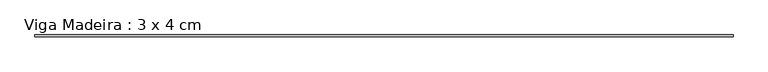
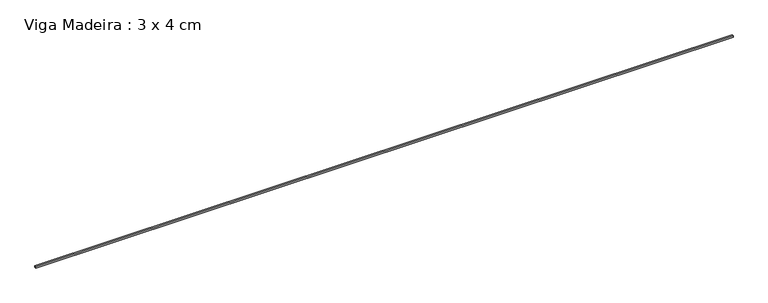
"""IFC4 building model written with IfcOpenShell, lengths in millimetres: beam geometry, Viga Madeira : 3 x 4 cm."""

from ifc_helpers import new_model, si_unit, frame, origin, place, context, project, spatial, polyline, outline, extrude, source, transform, mapped, element, save


def viga_madeira_3_x_4_cm_191474a9(model_context):
    return source(origin(), model_context, "Body", "SweptSolid", [
        extrude(outline(polyline([(8067.5160866, 20.0), (8067.5160866, -20.0), (-8067.5160866, -20.0), (-8067.5160866, 20.0), (8067.5160866, 20.0)])), frame((0.0, 0.0, -15.0), z_axis=(0.0, 0.0, 1.0), x_axis=(1.0, 0.0, 0.0)), (0.0, 0.0, 1.0), 30.0),
    ])


if __name__ == "__main__":
    model = new_model("IFC4")
    model_context = context("Model", 3, world=origin())
    ifc_project = project(units=[si_unit("LENGTHUNIT", "METRE", prefix="MILLI")], contexts=[model_context])
    site = spatial("IfcSite", under=ifc_project)
    building = spatial("IfcBuilding", under=site)
    placement = place(None, origin())
    viga_madeira_3_x_4_cm_shape = viga_madeira_3_x_4_cm_191474a9(model_context)
    element("IfcBeam", 1, ObjectType="Viga Madeira : 3 x 4 cm", at=placement, inside=building, context=model_context, shape_type="MappedRepresentation", body=[
        mapped(viga_madeira_3_x_4_cm_shape, transform((0.0, 0.0, 0.0), x_axis=(1.0, 0.0, 0.0), y_axis=(0.0, 1.0, 0.0), z_axis=(0.0, 0.0, 1.0))),
    ])
    save(model, "model.ifc")
